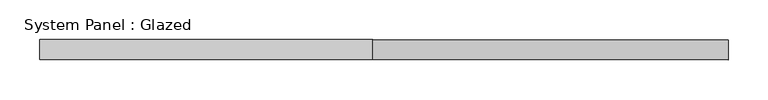
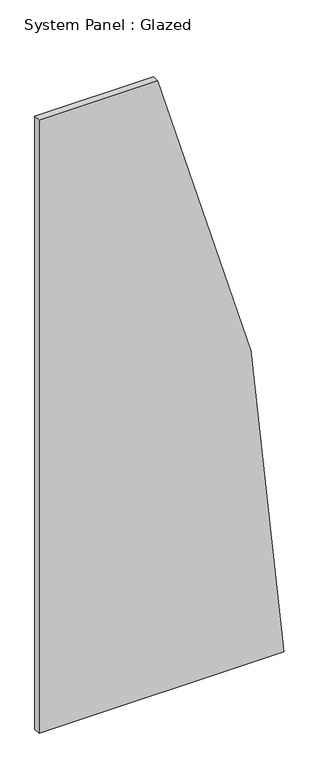
"""IFC4 building model written with IfcOpenShell, lengths in millimetres: plate geometry, System Panel : Glazed."""

from ifc_helpers import new_model, si_unit, point, frame, frame_2d, origin, place, context, project, spatial, polyline, circle_curve, trimmed, segment, composite_curve, outline, extrude, source, transform, mapped, element, save


def system_panel_glazed_cdb98990(model_context):
    return source(origin(), model_context, "Body", "SweptSolid", [
        extrude(outline(composite_curve([segment(polyline([(0.0, -431.3352754), (0.0, 431.3352754)]), True, "CONTINUOUS"), segment(trimmed(circle_curve(frame_2d((-50.0, -5864.5666688)), 6296.1004829), [point((0.0, 431.3352754))], [point((2276.8533559, -14.213282))], False, "CARTESIAN"), True, "CONTINUOUS"), segment(polyline([(2276.8533559, -14.213282), (2276.8533559, -431.3352754), (0.0, -431.3352754)]), True, "CONTINUOUS")], self_intersect=False)), frame((0.0, 24.5, 0.0), z_axis=(0.0, 1.0, 0.0), x_axis=(0.0, 0.0, 1.0)), (0.0, 0.0, 1.0), 25.0),
    ])


if __name__ == "__main__":
    model = new_model("IFC4")
    model_context = context("Model", 3, world=origin())
    ifc_project = project(units=[si_unit("LENGTHUNIT", "METRE", prefix="MILLI")], contexts=[model_context])
    site = spatial("IfcSite", under=ifc_project)
    building = spatial("IfcBuilding", under=site)
    placement = place(None, origin())
    system_panel_glazed_shape = system_panel_glazed_cdb98990(model_context)
    element("IfcPlate", 1, ObjectType="System Panel : Glazed", at=placement, inside=building, context=model_context, shape_type="MappedRepresentation", body=[
        mapped(system_panel_glazed_shape, transform((0.0, 0.0, 0.0), x_axis=(1.0, 0.0, 0.0), y_axis=(0.0, 1.0, 0.0), z_axis=(0.0, 0.0, 1.0))),
    ])
    save(model, "model.ifc")
